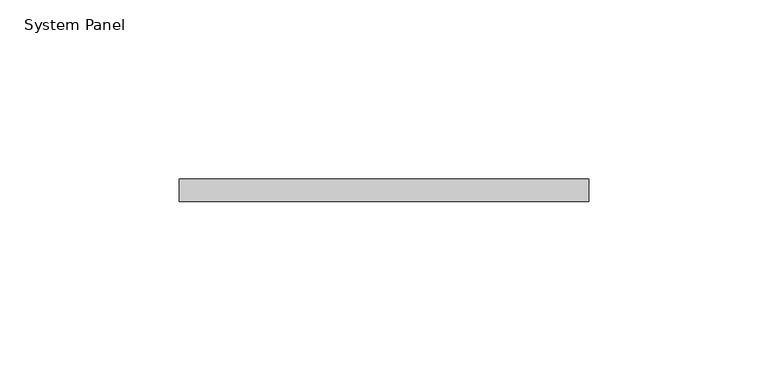
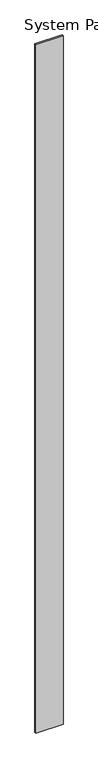
"""IFC4 building model written with IfcOpenShell, lengths in millimetres: plate geometry, System Panel."""

from ifc_helpers import new_model, si_unit, origin, origin_with_axes, place, context, project, spatial, polyline, outline, extrude, source, transform, mapped, element, save


def system_panel_6ec919be(model_context):
    return source(origin(), model_context, "Body", "SweptSolid", [
        extrude(outline(polyline([(57.15, -6.35), (-57.15, -6.35), (-57.15, 0.0), (57.15, 0.0), (57.15, -6.35)])), origin_with_axes(), (0.0, 0.0, 1.0), 3048.0),
    ])


if __name__ == "__main__":
    model = new_model("IFC4")
    model_context = context("Model", 3, world=origin())
    ifc_project = project(units=[si_unit("LENGTHUNIT", "METRE", prefix="MILLI")], contexts=[model_context])
    site = spatial("IfcSite", under=ifc_project)
    building = spatial("IfcBuilding", under=site)
    placement = place(None, origin())
    system_panel_shape = system_panel_6ec919be(model_context)
    element("IfcPlate", 1, ObjectType="System Panel", at=placement, inside=building, context=model_context, shape_type="MappedRepresentation", body=[
        mapped(system_panel_shape, transform((0.0, 0.0, 0.0), x_axis=(1.0, 0.0, 0.0), y_axis=(0.0, 1.0, 0.0), z_axis=(0.0, 0.0, 1.0))),
    ])
    save(model, "model.ifc")
